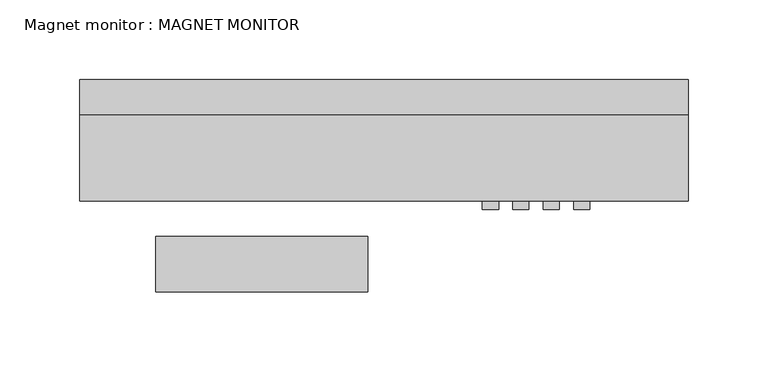
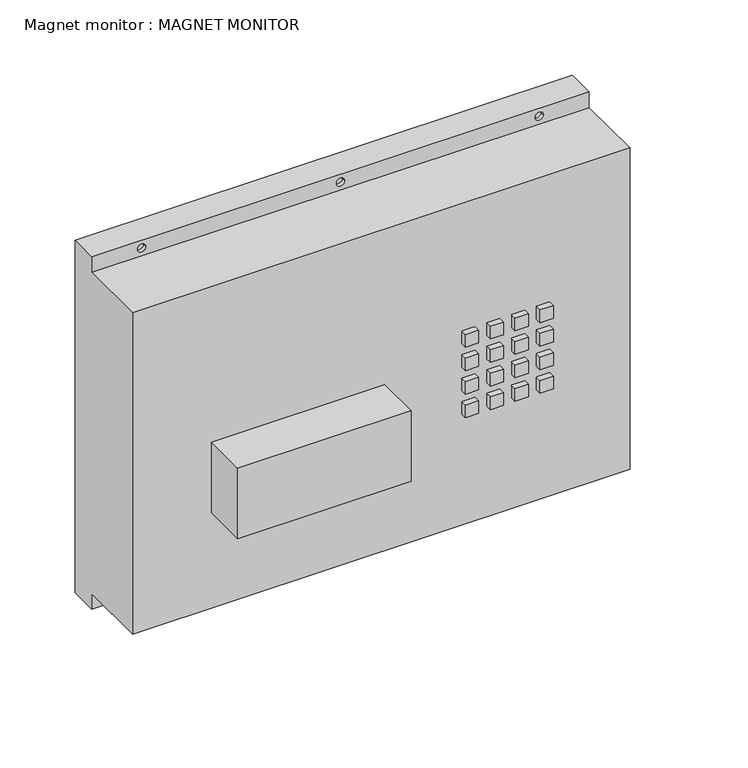
"""IFC4 building model written with IfcOpenShell, lengths in millimetres: proxy geometry, Magnet monitor : MAGNET MONITOR."""

from ifc_helpers import new_model, si_unit, frame, origin, place, context, project, spatial, polyline, circle_curve, outline, extrude, faceted_brep, source, transform, mapped, element, save
from ifc_brep_helpers import plane_surface, revolved_surface, advanced_brep


def magnet_monitor_magnet_monitor_85c93723(model_context):
    return source(origin(), model_context, "Body", "SolidModel", [
        advanced_brep(
        [(190.5, 18.8287737, 1682.75), (190.5, -3.175, 1682.75), (190.5, -3.175, 1670.05), (190.5, -57.15, 1670.05), (190.5, -57.15, 1409.7), (190.5, -3.175, 1409.7), (190.5, -3.175, 1397.0), (190.5, 18.8287737, 1397.0), (-190.5, 18.8287737, 1682.75), (-190.5, 18.8287737, 1397.0), (-190.5, -3.175, 1397.0), (-190.5, -3.175, 1409.7), (-190.5, -57.15, 1409.7), (-190.5, -57.15, 1670.05), (-190.5, -3.175, 1670.05), (-190.5, -3.175, 1682.75), (-149.225, -3.175, 1676.4), (-155.575, -3.175, 1676.4), (3.175, -3.175, 1676.4), (-3.175, -3.175, 1676.4), (149.225, -3.175, 1676.4), (155.575, -3.175, 1676.4), (149.225, -3.175, 1403.35), (155.575, -3.175, 1403.35), (3.175, -3.175, 1403.35), (-3.175, -3.175, 1403.35), (-149.225, -3.175, 1403.35), (-155.575, -3.175, 1403.35), (-155.575, 0.0, 1676.4), (-149.225, 0.0, 1676.4), (-3.175, 0.0, 1676.4), (3.175, 0.0, 1676.4), (155.575, 0.0, 1676.4), (149.225, 0.0, 1676.4), (155.575, 0.0, 1403.35), (149.225, 0.0, 1403.35), (-3.175, 0.0, 1403.35), (3.175, 0.0, 1403.35), (-155.575, 0.0, 1403.35), (-149.225, 0.0, 1403.35)],
        [
            (0, 1),
            (1, 2),
            (2, 3),
            (3, 4),
            (4, 5),
            (5, 6),
            (6, 7),
            (7, 0),
            (8, 9),
            (9, 10),
            (10, 11),
            (11, 12),
            (12, 13),
            (13, 14),
            (14, 15),
            (15, 8),
            (0, 8),
            (15, 1),
            (14, 2),
            (16, 17, circle_curve(frame((-152.4, -3.175, 1676.4), z_axis=(0.0, 1.0, 0.0), x_axis=(1.0, 0.0, 0.0)), 3.175)),
            (17, 16, circle_curve(frame((-152.4, -3.175, 1676.4), z_axis=(0.0, 1.0, 0.0), x_axis=(1.0, 0.0, 0.0)), 3.175)),
            (18, 19, circle_curve(frame((0.0, -3.175, 1676.4), z_axis=(0.0, 1.0, 0.0), x_axis=(1.0, 0.0, 0.0)), 3.175)),
            (19, 18, circle_curve(frame((0.0, -3.175, 1676.4), z_axis=(0.0, 1.0, 0.0), x_axis=(1.0, 0.0, 0.0)), 3.175)),
            (20, 21, circle_curve(frame((152.4, -3.175, 1676.4), z_axis=(0.0, 1.0, 0.0), x_axis=(-1.0, 0.0, 0.0)), 3.175)),
            (21, 20, circle_curve(frame((152.4, -3.175, 1676.4), z_axis=(0.0, 1.0, 0.0), x_axis=(-1.0, 0.0, 0.0)), 3.175)),
            (10, 6),
            (5, 11),
            (22, 23, circle_curve(frame((152.4, -3.175, 1403.35), z_axis=(0.0, 1.0, 0.0), x_axis=(-1.0, 0.0, 0.0)), 3.175)),
            (23, 22, circle_curve(frame((152.4, -3.175, 1403.35), z_axis=(0.0, 1.0, 0.0), x_axis=(-1.0, 0.0, 0.0)), 3.175)),
            (24, 25, circle_curve(frame((0.0, -3.175, 1403.35), z_axis=(0.0, 1.0, 0.0), x_axis=(1.0, 0.0, 0.0)), 3.175)),
            (25, 24, circle_curve(frame((0.0, -3.175, 1403.35), z_axis=(0.0, 1.0, 0.0), x_axis=(1.0, 0.0, 0.0)), 3.175)),
            (26, 27, circle_curve(frame((-152.4, -3.175, 1403.35), z_axis=(0.0, 1.0, 0.0), x_axis=(1.0, 0.0, 0.0)), 3.175)),
            (27, 26, circle_curve(frame((-152.4, -3.175, 1403.35), z_axis=(0.0, 1.0, 0.0), x_axis=(1.0, 0.0, 0.0)), 3.175)),
            (9, 7),
            (3, 13),
            (12, 4),
            (28, 29, circle_curve(frame((-152.4, 0.0, 1676.4), z_axis=(0.0, -1.0, 0.0), x_axis=(1.0, 0.0, 0.0)), 3.175)),
            (29, 28, circle_curve(frame((-152.4, 0.0, 1676.4), z_axis=(0.0, -1.0, 0.0), x_axis=(1.0, 0.0, 0.0)), 3.175)),
            (30, 31, circle_curve(frame((0.0, 0.0, 1676.4), z_axis=(0.0, -1.0, 0.0), x_axis=(1.0, 0.0, 0.0)), 3.175)),
            (31, 30, circle_curve(frame((0.0, 0.0, 1676.4), z_axis=(0.0, -1.0, 0.0), x_axis=(1.0, 0.0, 0.0)), 3.175)),
            (32, 33, circle_curve(frame((152.4, 0.0, 1676.4), z_axis=(0.0, -1.0, 0.0), x_axis=(-1.0, 0.0, 0.0)), 3.175)),
            (33, 32, circle_curve(frame((152.4, 0.0, 1676.4), z_axis=(0.0, -1.0, 0.0), x_axis=(-1.0, 0.0, 0.0)), 3.175)),
            (34, 35, circle_curve(frame((152.4, 0.0, 1403.35), z_axis=(0.0, -1.0, 0.0), x_axis=(-1.0, 0.0, 0.0)), 3.175)),
            (35, 34, circle_curve(frame((152.4, 0.0, 1403.35), z_axis=(0.0, -1.0, 0.0), x_axis=(-1.0, 0.0, 0.0)), 3.175)),
            (36, 37, circle_curve(frame((0.0, 0.0, 1403.35), z_axis=(0.0, -1.0, 0.0), x_axis=(1.0, 0.0, 0.0)), 3.175)),
            (37, 36, circle_curve(frame((0.0, 0.0, 1403.35), z_axis=(0.0, -1.0, 0.0), x_axis=(1.0, 0.0, 0.0)), 3.175)),
            (38, 39, circle_curve(frame((-152.4, 0.0, 1403.35), z_axis=(0.0, -1.0, 0.0), x_axis=(1.0, 0.0, 0.0)), 3.175)),
            (39, 38, circle_curve(frame((-152.4, 0.0, 1403.35), z_axis=(0.0, -1.0, 0.0), x_axis=(1.0, 0.0, 0.0)), 3.175)),
            (28, 17),
            (16, 29),
            (30, 19),
            (18, 31),
            (32, 21),
            (20, 33),
            (34, 23),
            (22, 35),
            (36, 25),
            (24, 37),
            (38, 27),
            (26, 39),
        ],
        [
            plane_surface(frame((190.5, -3.175, 1682.75), z_axis=(1.0, 0.0, 0.0), x_axis=(0.0, -1.0, 0.0))),
            plane_surface(frame((-190.5, -3.175, 1682.75), z_axis=(-1.0, 0.0, 0.0), x_axis=(0.0, 1.0, 0.0))),
            plane_surface(frame((190.5, 18.8287737, 1682.75), z_axis=(0.0, 0.0, 1.0), x_axis=(-1.0, 0.0, 0.0))),
            plane_surface(frame((190.5, -3.175, 1682.75), z_axis=(0.0, -1.0, 0.0), x_axis=(-1.0, 0.0, 0.0))),
            plane_surface(frame((190.5, -3.175, 1397.0), z_axis=(0.0, 0.0, -1.0), x_axis=(-1.0, 0.0, 0.0))),
            plane_surface(frame((190.5, 18.8287737, 1397.0), z_axis=(0.0, 1.0, 0.0), x_axis=(-1.0, 0.0, 0.0))),
            plane_surface(frame((-190.5, -57.15, 1670.05), z_axis=(0.0, -1.0, 0.0), x_axis=(-1.0, 0.0, 0.0))),
            plane_surface(frame((190.5, -57.15, 1670.05), z_axis=(0.0, 0.0, 1.0), x_axis=(0.0, 1.0, 0.0))),
            plane_surface(frame((-190.5, -57.15, 1409.7), z_axis=(0.0, 0.0, -1.0), x_axis=(0.0, 1.0, 0.0))),
            plane_surface(frame((-149.225, 0.0, 1676.4), z_axis=(0.0, -1.0, 0.0), x_axis=(0.0, 0.0, -1.0))),
            revolved_surface(polyline([(-149.225, -3.175, 1676.4), (-149.225, 0.0, 1676.4)]), (-152.4, 0.0, 1676.4), (0.0, -1.0, 0.0)),
            revolved_surface(polyline([(3.175, -3.175, 1676.4), (3.175, 0.0, 1676.4)]), (0.0, 0.0, 1676.4), (0.0, -1.0, 0.0)),
            revolved_surface(polyline([(149.225, -3.175, 1676.4), (149.225, 0.0, 1676.4)]), (152.4, 0.0, 1676.4), (0.0, -1.0, 0.0)),
            revolved_surface(polyline([(149.225, -3.175, 1403.35), (149.225, 0.0, 1403.35)]), (152.4, 0.0, 1403.35), (0.0, -1.0, 0.0)),
            revolved_surface(polyline([(3.175, -3.175, 1403.35), (3.175, 0.0, 1403.35)]), (0.0, 0.0, 1403.35), (0.0, -1.0, 0.0)),
            revolved_surface(polyline([(-149.225, -3.175, 1403.35), (-149.225, 0.0, 1403.35)]), (-152.4, 0.0, 1403.35), (0.0, -1.0, 0.0)),
        ],
        [
            (0, [[1, 2, 3, 4, 5, 6, 7, 8]]),
            (1, [[9, 10, 11, 12, 13, 14, 15, 16]]),
            (2, [[-1, 17, -16, 18]]),
            (3, [[-18, -15, 19, -2], [20, 21], [22, 23], [24, 25]]),
            (3, [[26, -6, 27, -11], [28, 29], [30, 31], [32, 33]]),
            (4, [[-7, -26, -10, 34]]),
            (5, [[-8, -34, -9, -17]]),
            (6, [[35, -13, 36, -4]]),
            (7, [[-35, -3, -19, -14]]),
            (8, [[-36, -12, -27, -5]]),
            (9, [[37, 38]]),
            (9, [[39, 40]]),
            (9, [[41, 42]]),
            (9, [[43, 44]]),
            (9, [[45, 46]]),
            (9, [[47, 48]]),
            (10, [[-37, 49, -20, 50]]),
            (10, [[-38, -50, -21, -49]]),
            (11, [[-39, 51, -22, 52]]),
            (11, [[-40, -52, -23, -51]]),
            (12, [[-41, 53, -24, 54]]),
            (12, [[-42, -54, -25, -53]]),
            (13, [[-43, 55, -28, 56]]),
            (13, [[-44, -56, -29, -55]]),
            (14, [[-45, 57, -30, 58]]),
            (14, [[-46, -58, -31, -57]]),
            (15, [[-47, 59, -32, 60]]),
            (15, [[-48, -60, -33, -59]]),
        ],
    ),
        faceted_brep([(-10.207788, -114.3, 1562.1), (-142.875, -114.3, 1562.1), (-142.875, -114.3, 1504.95), (-10.207788, -114.3, 1504.95), (-10.207788, -79.375, 1562.1), (-10.207788, -79.375, 1504.95), (-142.875, -79.375, 1504.95), (-142.875, -79.375, 1562.1)], [[[0, 1, 2, 3]], [[4, 5, 6, 7]], [[1, 0, 4, 7]], [[2, 1, 7, 6]], [[3, 2, 6, 5]], [[0, 3, 5, 4]]]),
        extrude(outline(polyline([(71.755, -62.4363457), (61.595, -62.4363457), (61.595, -57.1057014), (71.755, -57.1057014), (71.755, -62.4363457)])), frame((0.0, 0.0, 1557.02), z_axis=(0.0, 0.0, 1.0), x_axis=(1.0, 0.0, 0.0)), (0.0, 0.0, 1.0), 10.16),
        extrude(outline(polyline([(90.805, -62.4363457), (80.645, -62.4363457), (80.645, -57.1057014), (90.805, -57.1057014), (90.805, -62.4363457)])), frame((0.0, 0.0, 1557.02), z_axis=(0.0, 0.0, 1.0), x_axis=(1.0, 0.0, 0.0)), (0.0, 0.0, 1.0), 10.16),
        extrude(outline(polyline([(109.855, -62.4363457), (99.695, -62.4363457), (99.695, -57.1057014), (109.855, -57.1057014), (109.855, -62.4363457)])), frame((0.0, 0.0, 1557.02), z_axis=(0.0, 0.0, 1.0), x_axis=(1.0, 0.0, 0.0)), (0.0, 0.0, 1.0), 10.16),
        extrude(outline(polyline([(128.905, -62.4363457), (118.745, -62.4363457), (118.745, -57.1057014), (128.905, -57.1057014), (128.905, -62.4363457)])), frame((0.0, 0.0, 1557.02), z_axis=(0.0, 0.0, 1.0), x_axis=(1.0, 0.0, 0.0)), (0.0, 0.0, 1.0), 10.16),
        extrude(outline(polyline([(71.755, -62.4363457), (61.595, -62.4363457), (61.595, -57.1057014), (71.755, -57.1057014), (71.755, -62.4363457)])), frame((0.0, 0.0, 1537.97), z_axis=(0.0, 0.0, 1.0), x_axis=(1.0, 0.0, 0.0)), (0.0, 0.0, 1.0), 10.16),
        extrude(outline(polyline([(90.805, -62.4363457), (80.645, -62.4363457), (80.645, -57.1057014), (90.805, -57.1057014), (90.805, -62.4363457)])), frame((0.0, 0.0, 1537.97), z_axis=(0.0, 0.0, 1.0), x_axis=(1.0, 0.0, 0.0)), (0.0, 0.0, 1.0), 10.16),
        extrude(outline(polyline([(109.855, -62.4363457), (99.695, -62.4363457), (99.695, -57.1057014), (109.855, -57.1057014), (109.855, -62.4363457)])), frame((0.0, 0.0, 1537.97), z_axis=(0.0, 0.0, 1.0), x_axis=(1.0, 0.0, 0.0)), (0.0, 0.0, 1.0), 10.16),
        extrude(outline(polyline([(128.905, -62.4363457), (118.745, -62.4363457), (118.745, -57.1057014), (128.905, -57.1057014), (128.905, -62.4363457)])), frame((0.0, 0.0, 1537.97), z_axis=(0.0, 0.0, 1.0), x_axis=(1.0, 0.0, 0.0)), (0.0, 0.0, 1.0), 10.16),
        extrude(outline(polyline([(71.755, -62.4363457), (61.595, -62.4363457), (61.595, -57.1057014), (71.755, -57.1057014), (71.755, -62.4363457)])), frame((0.0, 0.0, 1518.92), z_axis=(0.0, 0.0, 1.0), x_axis=(1.0, 0.0, 0.0)), (0.0, 0.0, 1.0), 10.16),
        extrude(outline(polyline([(71.755, -62.4363457), (61.595, -62.4363457), (61.595, -57.1057014), (71.755, -57.1057014), (71.755, -62.4363457)])), frame((0.0, 0.0, 1499.87), z_axis=(0.0, 0.0, 1.0), x_axis=(1.0, 0.0, 0.0)), (0.0, 0.0, 1.0), 10.16),
        extrude(outline(polyline([(90.805, -62.4363457), (80.645, -62.4363457), (80.645, -57.1057014), (90.805, -57.1057014), (90.805, -62.4363457)])), frame((0.0, 0.0, 1499.87), z_axis=(0.0, 0.0, 1.0), x_axis=(1.0, 0.0, 0.0)), (0.0, 0.0, 1.0), 10.16),
        extrude(outline(polyline([(109.855, -62.4363457), (99.695, -62.4363457), (99.695, -57.1057014), (109.855, -57.1057014), (109.855, -62.4363457)])), frame((0.0, 0.0, 1499.87), z_axis=(0.0, 0.0, 1.0), x_axis=(1.0, 0.0, 0.0)), (0.0, 0.0, 1.0), 10.16),
        extrude(outline(polyline([(128.905, -62.4363457), (118.745, -62.4363457), (118.745, -57.1057014), (128.905, -57.1057014), (128.905, -62.4363457)])), frame((0.0, 0.0, 1499.87), z_axis=(0.0, 0.0, 1.0), x_axis=(1.0, 0.0, 0.0)), (0.0, 0.0, 1.0), 10.16),
        extrude(outline(polyline([(90.805, -62.4363457), (80.645, -62.4363457), (80.645, -57.1057014), (90.805, -57.1057014), (90.805, -62.4363457)])), frame((0.0, 0.0, 1518.92), z_axis=(0.0, 0.0, 1.0), x_axis=(1.0, 0.0, 0.0)), (0.0, 0.0, 1.0), 10.16),
        extrude(outline(polyline([(109.855, -62.4363457), (99.695, -62.4363457), (99.695, -57.1057014), (109.855, -57.1057014), (109.855, -62.4363457)])), frame((0.0, 0.0, 1518.92), z_axis=(0.0, 0.0, 1.0), x_axis=(1.0, 0.0, 0.0)), (0.0, 0.0, 1.0), 10.16),
        extrude(outline(polyline([(128.905, -62.4363457), (118.745, -62.4363457), (118.745, -57.1057014), (128.905, -57.1057014), (128.905, -62.4363457)])), frame((0.0, 0.0, 1518.92), z_axis=(0.0, 0.0, 1.0), x_axis=(1.0, 0.0, 0.0)), (0.0, 0.0, 1.0), 10.16),
    ])


if __name__ == "__main__":
    model = new_model("IFC4")
    model_context = context("Model", 3, world=origin())
    ifc_project = project(units=[si_unit("LENGTHUNIT", "METRE", prefix="MILLI")], contexts=[model_context])
    site = spatial("IfcSite", under=ifc_project)
    building = spatial("IfcBuilding", under=site)
    placement = place(None, origin())
    magnet_monitor_magnet_monitor_shape = magnet_monitor_magnet_monitor_85c93723(model_context)
    element("IfcBuildingElementProxy", 1, Name="Magnet monitor : MAGNET MONITOR", ObjectType="Magnet monitor : MAGNET MONITOR", at=placement, inside=building, context=model_context, shape_type="MappedRepresentation", body=[
        mapped(magnet_monitor_magnet_monitor_shape, transform((0.0, 0.0, 0.0), x_axis=(1.0, 0.0, 0.0), y_axis=(0.0, 1.0, 0.0), z_axis=(0.0, 0.0, 1.0))),
    ])
    save(model, "model.ifc")
